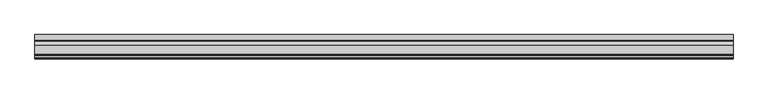
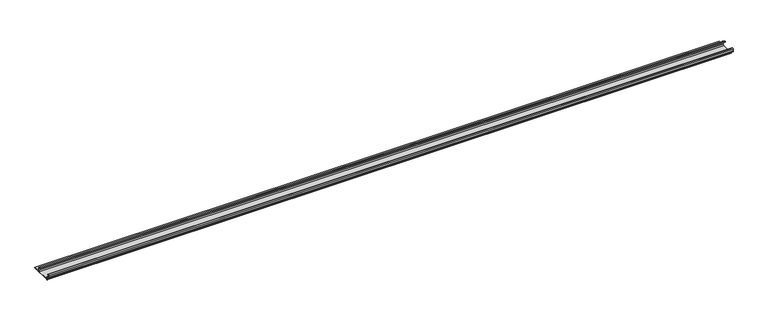
"""IFC4 building model written with IfcOpenShell, lengths in millimetres: proxy geometry."""

from ifc_helpers import new_model, si_unit, point, frame, frame_2d, origin, place, context, project, spatial, polyline, circle_curve, trimmed, segment, composite_curve, outline, extrude, source, transform, mapped, element, save


def generic_models_1a07e33c(model_context):
    return source(origin(), model_context, "Body", "SweptSolid", [
        extrude(outline(composite_curve([segment(trimmed(circle_curve(frame_2d((-62.6503601, 1.8496399)), 1.8496399), [point((-62.6503601, 0.0))], [point((-64.5, 1.8496399))], False, "CARTESIAN"), True, "CONTINUOUS"), segment(polyline([(-64.5, 1.8496399), (-64.5, 5.954427)]), True, "CONTINUOUS"), segment(trimmed(circle_curve(frame_2d((-66.20622, 5.954427)), 1.70622), [point((-64.5, 5.954427))], [point((-65.4316123, 7.4746802))], True, "CARTESIAN"), True, "CONTINUOUS"), segment(polyline([(-65.4316123, 7.4746802), (-72.6810737, 11.1684652)]), True, "CONTINUOUS"), segment(trimmed(circle_curve(frame_2d((-71.168691, 14.1366832)), 3.331309), [point((-72.6810737, 11.1684652))], [point((-74.5, 14.1366832))], False, "CARTESIAN"), True, "CONTINUOUS"), segment(polyline([(-74.5, 14.1366832), (-74.5, 20.1779423)]), True, "CONTINUOUS"), segment(trimmed(circle_curve(frame_2d((-71.9904423, 20.1779423)), 2.5095577), [point((-74.5, 20.1779423))], [point((-71.9904423, 22.6875))], False, "CARTESIAN"), True, "CONTINUOUS"), segment(polyline([(-71.9904423, 22.6875), (-70.5, 22.6875), (-70.5, 20.6875), (-71.7785709, 20.6875)]), True, "CONTINUOUS"), segment(trimmed(circle_curve(frame_2d((-71.7785709, 19.9660709)), 0.7214291), [point((-71.7785709, 20.6875))], [point((-72.5, 19.9660709))], True, "CARTESIAN"), True, "CONTINUOUS"), segment(polyline([(-72.5, 19.9660709), (-72.5, 14.7749524)]), True, "CONTINUOUS"), segment(trimmed(circle_curve(frame_2d((-70.1271304, 14.7749524)), 2.3728696), [point((-72.5, 14.7749524))], [point((-71.2043907, 12.6607101))], True, "CARTESIAN"), True, "CONTINUOUS"), segment(polyline([(-71.2043907, 12.6607101), (-64.0754216, 9.028319)]), True, "CONTINUOUS"), segment(trimmed(circle_curve(frame_2d((-65.3853373, 6.4574646)), 2.8853373), [point((-64.0754216, 9.028319))], [point((-62.5, 6.4574646))], False, "CARTESIAN"), True, "CONTINUOUS"), segment(polyline([(-62.5, 6.4574646), (-62.5, 4.1283032)]), True, "CONTINUOUS"), segment(trimmed(circle_curve(frame_2d((-60.3716968, 4.1283032)), 2.1283032), [point((-62.5, 4.1283032))], [point((-60.3716968, 2.0))], True, "CARTESIAN"), True, "CONTINUOUS"), segment(polyline([(-60.3716968, 2.0), (-24.1498681, 2.0)]), True, "CONTINUOUS"), segment(trimmed(circle_curve(frame_2d((-24.1498681, 4.6498681)), 2.6498681), [point((-24.1498681, 2.0))], [point((-21.5, 4.6498681))], True, "CARTESIAN"), True, "CONTINUOUS"), segment(polyline([(-21.5, 4.6498681), (-21.5, 11.0762745)]), True, "CONTINUOUS"), segment(trimmed(circle_curve(frame_2d((-24.2710864, 11.0762745)), 2.7710864), [point((-21.5, 11.0762745))], [point((-23.0130395, 13.5453305))], True, "CARTESIAN"), True, "CONTINUOUS"), segment(polyline([(-23.0130395, 13.5453305), (-31.0115672, 17.620784), (-31.0115672, 19.8654365), (-21.2217486, 14.8772747)]), True, "CONTINUOUS"), segment(trimmed(circle_curve(frame_2d((-22.6533308, 12.0676364)), 3.1533308), [point((-21.2217486, 14.8772747))], [point((-19.5, 12.0676364))], False, "CARTESIAN"), True, "CONTINUOUS"), segment(polyline([(-19.5, 12.0676364), (-19.5, 4.4365856)]), True, "CONTINUOUS"), segment(trimmed(circle_curve(frame_2d((-17.0634144, 4.4365856)), 2.4365856), [point((-19.5, 4.4365856))], [point((-17.0634144, 2.0))], True, "CARTESIAN"), True, "CONTINUOUS"), segment(polyline([(-17.0634144, 2.0), (0.0, 2.0), (0.0, 0.0), (-62.6503601, 0.0)]), True, "CONTINUOUS")], self_intersect=False)), frame((0.0, 0.0, 0.0), z_axis=(1.0, 0.0, 0.0), x_axis=(0.0, 1.0, 0.0)), (0.0, 0.0, 1.0), 2130.0),
    ])


if __name__ == "__main__":
    model = new_model("IFC4")
    model_context = context("Model", 3, world=origin())
    ifc_project = project(units=[si_unit("LENGTHUNIT", "METRE", prefix="MILLI")], contexts=[model_context])
    site = spatial("IfcSite", under=ifc_project)
    building = spatial("IfcBuilding", under=site)
    placement = place(None, origin())
    generic_models_shape = generic_models_1a07e33c(model_context)
    element("IfcBuildingElementProxy", 1, Name="Generic Models", at=placement, inside=building, context=model_context, shape_type="MappedRepresentation", body=[
        mapped(generic_models_shape, transform((0.0, 0.0, 0.0), x_axis=(1.0, 0.0, 0.0), y_axis=(0.0, 1.0, 0.0), z_axis=(0.0, 0.0, 1.0))),
    ])
    save(model, "model.ifc")
